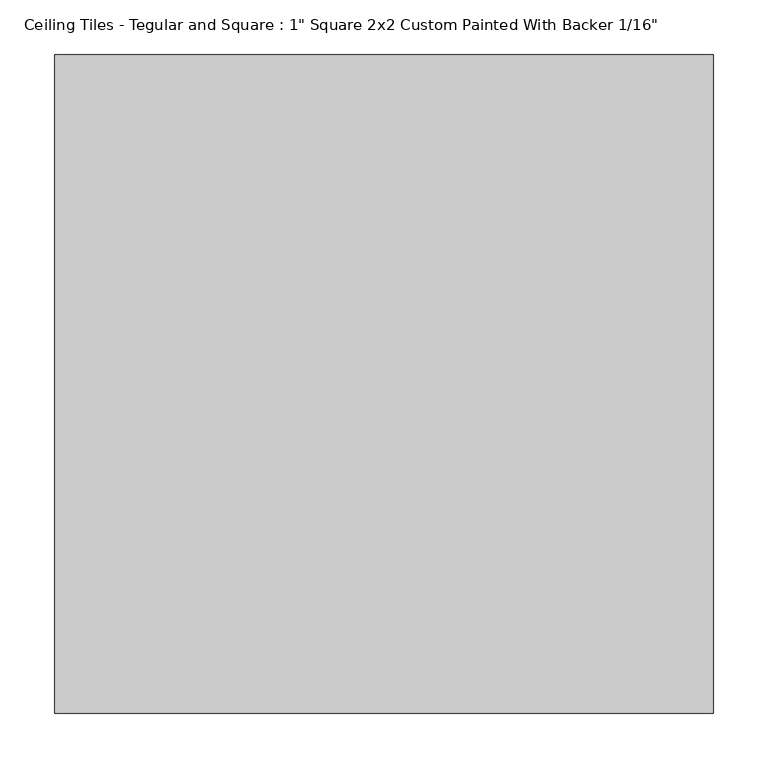
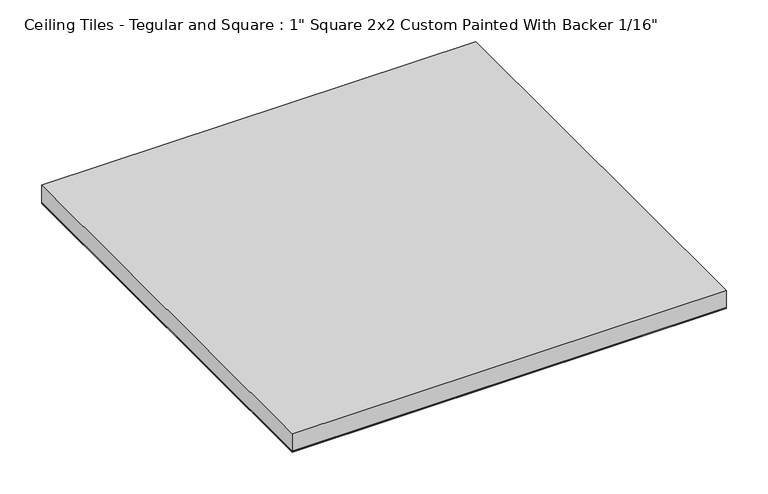
"""IFC4 building model written with IfcOpenShell, lengths in millimetres: proxy geometry."""

from ifc_helpers import new_model, si_unit, frame, origin, origin_with_axes, place, context, project, spatial, polyline, outline, extrude, source, transform, mapped, element, save


def proxy_1d94a0fb(model_context):
    return source(origin(), model_context, "Body", "SweptSolid", [
        extrude(outline(polyline([(301.625, 301.625), (301.625, -301.625), (-301.625, -301.625), (-301.625, 301.625), (301.625, 301.625)])), origin_with_axes(), (0.0, 0.0, 1.0), 1.5875),
        extrude(outline(polyline([(-301.625, 301.625), (301.625, 301.625), (301.625, -301.625), (-301.625, -301.625), (-301.625, 301.625)])), frame((0.0, 0.0, 1.5875), z_axis=(0.0, 0.0, 1.0), x_axis=(1.0, 0.0, 0.0)), (0.0, 0.0, 1.0), 25.4),
    ])


if __name__ == "__main__":
    model = new_model("IFC4")
    model_context = context("Model", 3, world=origin())
    ifc_project = project(units=[si_unit("LENGTHUNIT", "METRE", prefix="MILLI")], contexts=[model_context])
    site = spatial("IfcSite", under=ifc_project)
    building = spatial("IfcBuilding", under=site)
    placement = place(None, origin())
    proxy_shape = proxy_1d94a0fb(model_context)
    element("IfcBuildingElementProxy", 1, Name="Ceiling Tiles - Tegular and Square : 1\" Square 2x2 Custom Painted With Backer 1/16\"", ObjectType="Ceiling Tiles - Tegular and Square : 1\" Square 2x2 Custom Painted With Backer 1/16\"", at=placement, inside=building, context=model_context, shape_type="MappedRepresentation", body=[
        mapped(proxy_shape, transform((0.0, 0.0, 0.0), x_axis=(1.0, 0.0, 0.0), y_axis=(0.0, 1.0, 0.0), z_axis=(0.0, 0.0, 1.0))),
    ])
    save(model, "model.ifc")
